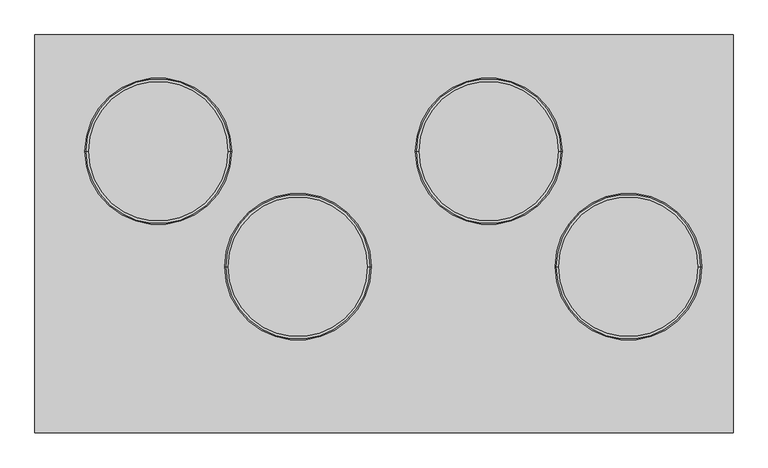
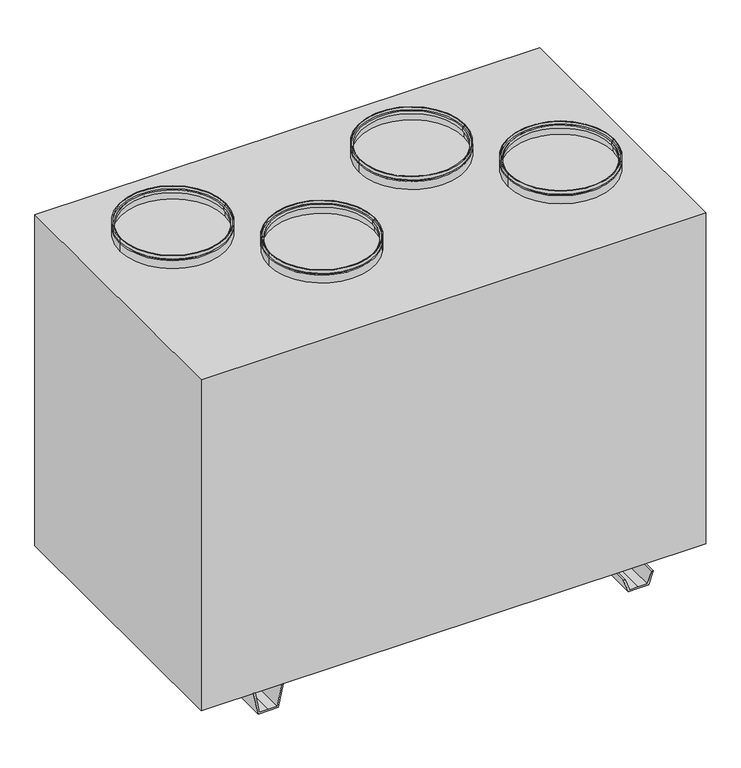
"""IFC4 building model written with IfcOpenShell, lengths in millimetres: proxy geometry."""

from ifc_helpers import new_model, si_unit, frame, origin, place, context, project, spatial, polyline, circle_curve, outline, extrude, source, transform, mapped, element, save
from ifc_brep_helpers import plane_surface, cylinder_surface, revolved_surface, advanced_brep


def mechanical_equipment_abb5c1dc(model_context):
    return source(origin(), model_context, "Body", "SolidModel", [
        advanced_brep(
        [(682.5, -70.5, 1140.0), (367.5, -70.5, 1140.0), (367.5, -70.5, 1150.0), (682.5, -70.5, 1150.0), (677.5, -70.5, 1140.0), (372.5, -70.5, 1140.0), (677.5, -70.5, 1135.0), (372.5, -70.5, 1135.0), (682.5, -70.5, 1135.0), (367.5, -70.5, 1135.0), (682.5, -70.5, 1110.0), (367.5, -70.5, 1110.0), (680.5, -70.5, 1110.0), (369.5, -70.5, 1110.0), (680.5, -70.5, 1133.0), (369.5, -70.5, 1133.0), (675.5, -70.5, 1133.0), (374.5, -70.5, 1133.0), (675.5, -70.5, 1142.0), (374.5, -70.5, 1142.0), (680.5, -70.5, 1142.0), (369.5, -70.5, 1142.0), (680.5, -70.5, 1150.0), (369.5, -70.5, 1150.0)],
        [
            (0, 1, circle_curve(frame((525.0, -70.5, 1140.0), z_axis=(0.0, 0.0, 1.0), x_axis=(-1.0, 0.0, 0.0)), 157.5)),
            (1, 2),
            (2, 3, circle_curve(frame((525.0, -70.5, 1150.0), z_axis=(0.0, 0.0, -1.0), x_axis=(-1.0, 0.0, 0.0)), 157.5)),
            (3, 0),
            (1, 0, circle_curve(frame((525.0, -70.5, 1140.0), z_axis=(0.0, 0.0, 1.0), x_axis=(-1.0, 0.0, 0.0)), 157.5)),
            (3, 2, circle_curve(frame((525.0, -70.5, 1150.0), z_axis=(0.0, 0.0, -1.0), x_axis=(-1.0, 0.0, 0.0)), 157.5)),
            (4, 5, circle_curve(frame((525.0, -70.5, 1140.0), z_axis=(0.0, 0.0, 1.0), x_axis=(-1.0, 0.0, 0.0)), 152.5)),
            (5, 1),
            (0, 4),
            (5, 4, circle_curve(frame((525.0, -70.5, 1140.0), z_axis=(0.0, 0.0, 1.0), x_axis=(-1.0, 0.0, 0.0)), 152.5)),
            (6, 7, circle_curve(frame((525.0, -70.5, 1135.0), z_axis=(0.0, 0.0, 1.0), x_axis=(-1.0, 0.0, 0.0)), 152.5)),
            (7, 5),
            (4, 6),
            (7, 6, circle_curve(frame((525.0, -70.5, 1135.0), z_axis=(0.0, 0.0, 1.0), x_axis=(-1.0, 0.0, 0.0)), 152.5)),
            (8, 9, circle_curve(frame((525.0, -70.5, 1135.0), z_axis=(0.0, 0.0, 1.0), x_axis=(-1.0, 0.0, 0.0)), 157.5)),
            (9, 7),
            (6, 8),
            (9, 8, circle_curve(frame((525.0, -70.5, 1135.0), z_axis=(0.0, 0.0, 1.0), x_axis=(-1.0, 0.0, 0.0)), 157.5)),
            (10, 11, circle_curve(frame((525.0, -70.5, 1110.0), z_axis=(0.0, 0.0, 1.0), x_axis=(-1.0, 0.0, 0.0)), 157.5)),
            (11, 9),
            (8, 10),
            (11, 10, circle_curve(frame((525.0, -70.5, 1110.0), z_axis=(0.0, 0.0, 1.0), x_axis=(-1.0, 0.0, 0.0)), 157.5)),
            (12, 13, circle_curve(frame((525.0, -70.5, 1110.0), z_axis=(0.0, 0.0, 1.0), x_axis=(-1.0, 0.0, 0.0)), 155.5)),
            (13, 11),
            (10, 12),
            (13, 12, circle_curve(frame((525.0, -70.5, 1110.0), z_axis=(0.0, 0.0, 1.0), x_axis=(-1.0, 0.0, 0.0)), 155.5)),
            (14, 15, circle_curve(frame((525.0, -70.5, 1133.0), z_axis=(0.0, 0.0, 1.0), x_axis=(-1.0, 0.0, 0.0)), 155.5)),
            (15, 13),
            (12, 14),
            (15, 14, circle_curve(frame((525.0, -70.5, 1133.0), z_axis=(0.0, 0.0, 1.0), x_axis=(-1.0, 0.0, 0.0)), 155.5)),
            (16, 17, circle_curve(frame((525.0, -70.5, 1133.0), z_axis=(0.0, 0.0, 1.0), x_axis=(-1.0, 0.0, 0.0)), 150.5)),
            (17, 15),
            (14, 16),
            (17, 16, circle_curve(frame((525.0, -70.5, 1133.0), z_axis=(0.0, 0.0, 1.0), x_axis=(-1.0, 0.0, 0.0)), 150.5)),
            (18, 19, circle_curve(frame((525.0, -70.5, 1142.0), z_axis=(0.0, 0.0, 1.0), x_axis=(-1.0, 0.0, 0.0)), 150.5)),
            (19, 17),
            (16, 18),
            (19, 18, circle_curve(frame((525.0, -70.5, 1142.0), z_axis=(0.0, 0.0, 1.0), x_axis=(-1.0, 0.0, 0.0)), 150.5)),
            (20, 21, circle_curve(frame((525.0, -70.5, 1142.0), z_axis=(0.0, 0.0, 1.0), x_axis=(-1.0, 0.0, 0.0)), 155.5)),
            (21, 19),
            (18, 20),
            (21, 20, circle_curve(frame((525.0, -70.5, 1142.0), z_axis=(0.0, 0.0, 1.0), x_axis=(-1.0, 0.0, 0.0)), 155.5)),
            (22, 23, circle_curve(frame((525.0, -70.5, 1150.0), z_axis=(0.0, 0.0, 1.0), x_axis=(-1.0, 0.0, 0.0)), 155.5)),
            (23, 21),
            (20, 22),
            (23, 22, circle_curve(frame((525.0, -70.5, 1150.0), z_axis=(0.0, 0.0, 1.0), x_axis=(-1.0, 0.0, 0.0)), 155.5)),
            (2, 23),
            (22, 3),
        ],
        [
            cylinder_surface(frame((525.0, -70.5, 2685.0440172), z_axis=(0.0, 0.0, -1.0), x_axis=(-1.0, 0.0, 0.0)), 157.5),
            plane_surface(frame((525.0, -70.5, 1140.0), z_axis=(0.0, 0.0, -1.0), x_axis=(-1.0, 0.0, 0.0))),
            cylinder_surface(frame((525.0, -70.5, 2685.0440172), z_axis=(0.0, 0.0, -1.0), x_axis=(-1.0, 0.0, 0.0)), 152.5),
            plane_surface(frame((525.0, -70.5, 1135.0), z_axis=(0.0, 0.0, 1.0), x_axis=(-1.0, 0.0, 0.0))),
            plane_surface(frame((525.0, -70.5, 1110.0), z_axis=(0.0, 0.0, -1.0), x_axis=(-1.0, 0.0, 0.0))),
            revolved_surface(polyline([(369.5, -70.5, 1110.0), (369.5, -70.5, 1133.0)]), (525.0, -70.5, 2685.0440172), (0.0, 0.0, -1.0)),
            plane_surface(frame((525.0, -70.5, 1133.0), z_axis=(0.0, 0.0, -1.0), x_axis=(-1.0, 0.0, 0.0))),
            revolved_surface(polyline([(374.5, -70.5, 1133.0), (374.5, -70.5, 1142.0)]), (525.0, -70.5, 2685.0440172), (0.0, 0.0, -1.0)),
            plane_surface(frame((525.0, -70.5, 1142.0), z_axis=(0.0, 0.0, 1.0), x_axis=(-1.0, 0.0, 0.0))),
            revolved_surface(polyline([(369.5, -70.5, 1142.0), (369.5, -70.5, 1150.0)]), (525.0, -70.5, 2685.0440172), (0.0, 0.0, -1.0)),
            plane_surface(frame((525.0, -70.5, 1150.0), z_axis=(0.0, 0.0, 1.0), x_axis=(-1.0, 0.0, 0.0))),
        ],
        [
            (0, [[1, 2, 3, 4]]),
            (0, [[5, -4, 6, -2]]),
            (1, [[7, 8, -1, 9]]),
            (1, [[10, -9, -5, -8]]),
            (2, [[11, 12, -7, 13]]),
            (2, [[14, -13, -10, -12]]),
            (3, [[15, 16, -11, 17]]),
            (3, [[18, -17, -14, -16]]),
            (0, [[19, 20, -15, 21]]),
            (0, [[22, -21, -18, -20]]),
            (4, [[23, 24, -19, 25]]),
            (4, [[26, -25, -22, -24]]),
            (5, [[27, 28, -23, 29]]),
            (5, [[30, -29, -26, -28]]),
            (6, [[31, 32, -27, 33]]),
            (6, [[34, -33, -30, -32]]),
            (7, [[35, 36, -31, 37]]),
            (7, [[38, -37, -34, -36]]),
            (8, [[39, 40, -35, 41]]),
            (8, [[42, -41, -38, -40]]),
            (9, [[43, 44, -39, 45]]),
            (9, [[46, -45, -42, -44]]),
            (10, [[-3, 47, -43, 48]]),
            (10, [[-6, -48, -46, -47]]),
        ],
    ),
        advanced_brep(
        [(382.5, 177.5, 1140.0), (67.5, 177.5, 1140.0), (67.5, 177.5, 1150.0), (382.5, 177.5, 1150.0), (377.5, 177.5, 1140.0), (72.5, 177.5, 1140.0), (377.5, 177.5, 1135.0), (72.5, 177.5, 1135.0), (382.5, 177.5, 1135.0), (67.5, 177.5, 1135.0), (382.5, 177.5, 1110.0), (67.5, 177.5, 1110.0), (380.5, 177.5, 1110.0), (69.5, 177.5, 1110.0), (380.5, 177.5, 1133.0), (69.5, 177.5, 1133.0), (375.5, 177.5, 1133.0), (74.5, 177.5, 1133.0), (375.5, 177.5, 1142.0), (74.5, 177.5, 1142.0), (380.5, 177.5, 1142.0), (69.5, 177.5, 1142.0), (380.5, 177.5, 1150.0), (69.5, 177.5, 1150.0)],
        [
            (0, 1, circle_curve(frame((225.0, 177.5, 1140.0), z_axis=(0.0, 0.0, 1.0), x_axis=(-1.0, 0.0, 0.0)), 157.5)),
            (1, 2),
            (2, 3, circle_curve(frame((225.0, 177.5, 1150.0), z_axis=(0.0, 0.0, -1.0), x_axis=(-1.0, 0.0, 0.0)), 157.5)),
            (3, 0),
            (1, 0, circle_curve(frame((225.0, 177.5, 1140.0), z_axis=(0.0, 0.0, 1.0), x_axis=(-1.0, 0.0, 0.0)), 157.5)),
            (3, 2, circle_curve(frame((225.0, 177.5, 1150.0), z_axis=(0.0, 0.0, -1.0), x_axis=(-1.0, 0.0, 0.0)), 157.5)),
            (4, 5, circle_curve(frame((225.0, 177.5, 1140.0), z_axis=(0.0, 0.0, 1.0), x_axis=(-1.0, 0.0, 0.0)), 152.5)),
            (5, 1),
            (0, 4),
            (5, 4, circle_curve(frame((225.0, 177.5, 1140.0), z_axis=(0.0, 0.0, 1.0), x_axis=(-1.0, 0.0, 0.0)), 152.5)),
            (6, 7, circle_curve(frame((225.0, 177.5, 1135.0), z_axis=(0.0, 0.0, 1.0), x_axis=(-1.0, 0.0, 0.0)), 152.5)),
            (7, 5),
            (4, 6),
            (7, 6, circle_curve(frame((225.0, 177.5, 1135.0), z_axis=(0.0, 0.0, 1.0), x_axis=(-1.0, 0.0, 0.0)), 152.5)),
            (8, 9, circle_curve(frame((225.0, 177.5, 1135.0), z_axis=(0.0, 0.0, 1.0), x_axis=(-1.0, 0.0, 0.0)), 157.5)),
            (9, 7),
            (6, 8),
            (9, 8, circle_curve(frame((225.0, 177.5, 1135.0), z_axis=(0.0, 0.0, 1.0), x_axis=(-1.0, 0.0, 0.0)), 157.5)),
            (10, 11, circle_curve(frame((225.0, 177.5, 1110.0), z_axis=(0.0, 0.0, 1.0), x_axis=(-1.0, 0.0, 0.0)), 157.5)),
            (11, 9),
            (8, 10),
            (11, 10, circle_curve(frame((225.0, 177.5, 1110.0), z_axis=(0.0, 0.0, 1.0), x_axis=(-1.0, 0.0, 0.0)), 157.5)),
            (12, 13, circle_curve(frame((225.0, 177.5, 1110.0), z_axis=(0.0, 0.0, 1.0), x_axis=(-1.0, 0.0, 0.0)), 155.5)),
            (13, 11),
            (10, 12),
            (13, 12, circle_curve(frame((225.0, 177.5, 1110.0), z_axis=(0.0, 0.0, 1.0), x_axis=(-1.0, 0.0, 0.0)), 155.5)),
            (14, 15, circle_curve(frame((225.0, 177.5, 1133.0), z_axis=(0.0, 0.0, 1.0), x_axis=(-1.0, 0.0, 0.0)), 155.5)),
            (15, 13),
            (12, 14),
            (15, 14, circle_curve(frame((225.0, 177.5, 1133.0), z_axis=(0.0, 0.0, 1.0), x_axis=(-1.0, 0.0, 0.0)), 155.5)),
            (16, 17, circle_curve(frame((225.0, 177.5, 1133.0), z_axis=(0.0, 0.0, 1.0), x_axis=(-1.0, 0.0, 0.0)), 150.5)),
            (17, 15),
            (14, 16),
            (17, 16, circle_curve(frame((225.0, 177.5, 1133.0), z_axis=(0.0, 0.0, 1.0), x_axis=(-1.0, 0.0, 0.0)), 150.5)),
            (18, 19, circle_curve(frame((225.0, 177.5, 1142.0), z_axis=(0.0, 0.0, 1.0), x_axis=(-1.0, 0.0, 0.0)), 150.5)),
            (19, 17),
            (16, 18),
            (19, 18, circle_curve(frame((225.0, 177.5, 1142.0), z_axis=(0.0, 0.0, 1.0), x_axis=(-1.0, 0.0, 0.0)), 150.5)),
            (20, 21, circle_curve(frame((225.0, 177.5, 1142.0), z_axis=(0.0, 0.0, 1.0), x_axis=(-1.0, 0.0, 0.0)), 155.5)),
            (21, 19),
            (18, 20),
            (21, 20, circle_curve(frame((225.0, 177.5, 1142.0), z_axis=(0.0, 0.0, 1.0), x_axis=(-1.0, 0.0, 0.0)), 155.5)),
            (22, 23, circle_curve(frame((225.0, 177.5, 1150.0), z_axis=(0.0, 0.0, 1.0), x_axis=(-1.0, 0.0, 0.0)), 155.5)),
            (23, 21),
            (20, 22),
            (23, 22, circle_curve(frame((225.0, 177.5, 1150.0), z_axis=(0.0, 0.0, 1.0), x_axis=(-1.0, 0.0, 0.0)), 155.5)),
            (2, 23),
            (22, 3),
        ],
        [
            cylinder_surface(frame((225.0, 177.5, 2685.0440172), z_axis=(0.0, 0.0, -1.0), x_axis=(-1.0, 0.0, 0.0)), 157.5),
            plane_surface(frame((225.0, 177.5, 1140.0), z_axis=(0.0, 0.0, -1.0), x_axis=(-1.0, 0.0, 0.0))),
            cylinder_surface(frame((225.0, 177.5, 2685.0440172), z_axis=(0.0, 0.0, -1.0), x_axis=(-1.0, 0.0, 0.0)), 152.5),
            plane_surface(frame((225.0, 177.5, 1135.0), z_axis=(0.0, 0.0, 1.0), x_axis=(-1.0, 0.0, 0.0))),
            plane_surface(frame((225.0, 177.5, 1110.0), z_axis=(0.0, 0.0, -1.0), x_axis=(-1.0, 0.0, 0.0))),
            revolved_surface(polyline([(69.5, 177.5, 1110.0), (69.5, 177.5, 1133.0)]), (225.0, 177.5, 2685.0440172), (0.0, 0.0, -1.0)),
            plane_surface(frame((225.0, 177.5, 1133.0), z_axis=(0.0, 0.0, -1.0), x_axis=(-1.0, 0.0, 0.0))),
            revolved_surface(polyline([(74.5, 177.5, 1133.0), (74.5, 177.5, 1142.0)]), (225.0, 177.5, 2685.0440172), (0.0, 0.0, -1.0)),
            plane_surface(frame((225.0, 177.5, 1142.0), z_axis=(0.0, 0.0, 1.0), x_axis=(-1.0, 0.0, 0.0))),
            revolved_surface(polyline([(69.5, 177.5, 1142.0), (69.5, 177.5, 1150.0)]), (225.0, 177.5, 2685.0440172), (0.0, 0.0, -1.0)),
            plane_surface(frame((225.0, 177.5, 1150.0), z_axis=(0.0, 0.0, 1.0), x_axis=(-1.0, 0.0, 0.0))),
        ],
        [
            (0, [[1, 2, 3, 4]]),
            (0, [[5, -4, 6, -2]]),
            (1, [[7, 8, -1, 9]]),
            (1, [[10, -9, -5, -8]]),
            (2, [[11, 12, -7, 13]]),
            (2, [[14, -13, -10, -12]]),
            (3, [[15, 16, -11, 17]]),
            (3, [[18, -17, -14, -16]]),
            (0, [[19, 20, -15, 21]]),
            (0, [[22, -21, -18, -20]]),
            (4, [[23, 24, -19, 25]]),
            (4, [[26, -25, -22, -24]]),
            (5, [[27, 28, -23, 29]]),
            (5, [[30, -29, -26, -28]]),
            (6, [[31, 32, -27, 33]]),
            (6, [[34, -33, -30, -32]]),
            (7, [[35, 36, -31, 37]]),
            (7, [[38, -37, -34, -36]]),
            (8, [[39, 40, -35, 41]]),
            (8, [[42, -41, -38, -40]]),
            (9, [[43, 44, -39, 45]]),
            (9, [[46, -45, -42, -44]]),
            (10, [[-3, 47, -43, 48]]),
            (10, [[-6, -48, -46, -47]]),
        ],
    ),
        advanced_brep(
        [(-27.5, -70.5, 1140.0), (-342.5, -70.5, 1140.0), (-342.5, -70.5, 1150.0), (-27.5, -70.5, 1150.0), (-32.5, -70.5, 1140.0), (-337.5, -70.5, 1140.0), (-32.5, -70.5, 1135.0), (-337.5, -70.5, 1135.0), (-27.5, -70.5, 1135.0), (-342.5, -70.5, 1135.0), (-27.5, -70.5, 1110.0), (-342.5, -70.5, 1110.0), (-29.5, -70.5, 1110.0), (-340.5, -70.5, 1110.0), (-29.5, -70.5, 1133.0), (-340.5, -70.5, 1133.0), (-34.5, -70.5, 1133.0), (-335.5, -70.5, 1133.0), (-34.5, -70.5, 1142.0), (-335.5, -70.5, 1142.0), (-29.5, -70.5, 1142.0), (-340.5, -70.5, 1142.0), (-29.5, -70.5, 1150.0), (-340.5, -70.5, 1150.0)],
        [
            (0, 1, circle_curve(frame((-185.0, -70.5, 1140.0), z_axis=(0.0, 0.0, 1.0), x_axis=(-1.0, 0.0, 0.0)), 157.5)),
            (1, 2),
            (2, 3, circle_curve(frame((-185.0, -70.5, 1150.0), z_axis=(0.0, 0.0, -1.0), x_axis=(-1.0, 0.0, 0.0)), 157.5)),
            (3, 0),
            (1, 0, circle_curve(frame((-185.0, -70.5, 1140.0), z_axis=(0.0, 0.0, 1.0), x_axis=(-1.0, 0.0, 0.0)), 157.5)),
            (3, 2, circle_curve(frame((-185.0, -70.5, 1150.0), z_axis=(0.0, 0.0, -1.0), x_axis=(-1.0, 0.0, 0.0)), 157.5)),
            (4, 5, circle_curve(frame((-185.0, -70.5, 1140.0), z_axis=(0.0, 0.0, 1.0), x_axis=(-1.0, 0.0, 0.0)), 152.5)),
            (5, 1),
            (0, 4),
            (5, 4, circle_curve(frame((-185.0, -70.5, 1140.0), z_axis=(0.0, 0.0, 1.0), x_axis=(-1.0, 0.0, 0.0)), 152.5)),
            (6, 7, circle_curve(frame((-185.0, -70.5, 1135.0), z_axis=(0.0, 0.0, 1.0), x_axis=(-1.0, 0.0, 0.0)), 152.5)),
            (7, 5),
            (4, 6),
            (7, 6, circle_curve(frame((-185.0, -70.5, 1135.0), z_axis=(0.0, 0.0, 1.0), x_axis=(-1.0, 0.0, 0.0)), 152.5)),
            (8, 9, circle_curve(frame((-185.0, -70.5, 1135.0), z_axis=(0.0, 0.0, 1.0), x_axis=(-1.0, 0.0, 0.0)), 157.5)),
            (9, 7),
            (6, 8),
            (9, 8, circle_curve(frame((-185.0, -70.5, 1135.0), z_axis=(0.0, 0.0, 1.0), x_axis=(-1.0, 0.0, 0.0)), 157.5)),
            (10, 11, circle_curve(frame((-185.0, -70.5, 1110.0), z_axis=(0.0, 0.0, 1.0), x_axis=(-1.0, 0.0, 0.0)), 157.5)),
            (11, 9),
            (8, 10),
            (11, 10, circle_curve(frame((-185.0, -70.5, 1110.0), z_axis=(0.0, 0.0, 1.0), x_axis=(-1.0, 0.0, 0.0)), 157.5)),
            (12, 13, circle_curve(frame((-185.0, -70.5, 1110.0), z_axis=(0.0, 0.0, 1.0), x_axis=(-1.0, 0.0, 0.0)), 155.5)),
            (13, 11),
            (10, 12),
            (13, 12, circle_curve(frame((-185.0, -70.5, 1110.0), z_axis=(0.0, 0.0, 1.0), x_axis=(-1.0, 0.0, 0.0)), 155.5)),
            (14, 15, circle_curve(frame((-185.0, -70.5, 1133.0), z_axis=(0.0, 0.0, 1.0), x_axis=(-1.0, 0.0, 0.0)), 155.5)),
            (15, 13),
            (12, 14),
            (15, 14, circle_curve(frame((-185.0, -70.5, 1133.0), z_axis=(0.0, 0.0, 1.0), x_axis=(-1.0, 0.0, 0.0)), 155.5)),
            (16, 17, circle_curve(frame((-185.0, -70.5, 1133.0), z_axis=(0.0, 0.0, 1.0), x_axis=(-1.0, 0.0, 0.0)), 150.5)),
            (17, 15),
            (14, 16),
            (17, 16, circle_curve(frame((-185.0, -70.5, 1133.0), z_axis=(0.0, 0.0, 1.0), x_axis=(-1.0, 0.0, 0.0)), 150.5)),
            (18, 19, circle_curve(frame((-185.0, -70.5, 1142.0), z_axis=(0.0, 0.0, 1.0), x_axis=(-1.0, 0.0, 0.0)), 150.5)),
            (19, 17),
            (16, 18),
            (19, 18, circle_curve(frame((-185.0, -70.5, 1142.0), z_axis=(0.0, 0.0, 1.0), x_axis=(-1.0, 0.0, 0.0)), 150.5)),
            (20, 21, circle_curve(frame((-185.0, -70.5, 1142.0), z_axis=(0.0, 0.0, 1.0), x_axis=(-1.0, 0.0, 0.0)), 155.5)),
            (21, 19),
            (18, 20),
            (21, 20, circle_curve(frame((-185.0, -70.5, 1142.0), z_axis=(0.0, 0.0, 1.0), x_axis=(-1.0, 0.0, 0.0)), 155.5)),
            (22, 23, circle_curve(frame((-185.0, -70.5, 1150.0), z_axis=(0.0, 0.0, 1.0), x_axis=(-1.0, 0.0, 0.0)), 155.5)),
            (23, 21),
            (20, 22),
            (23, 22, circle_curve(frame((-185.0, -70.5, 1150.0), z_axis=(0.0, 0.0, 1.0), x_axis=(-1.0, 0.0, 0.0)), 155.5)),
            (2, 23),
            (22, 3),
        ],
        [
            cylinder_surface(frame((-185.0, -70.5, 2685.0440172), z_axis=(0.0, 0.0, -1.0), x_axis=(-1.0, 0.0, 0.0)), 157.5),
            plane_surface(frame((-185.0, -70.5, 1140.0), z_axis=(0.0, 0.0, -1.0), x_axis=(-1.0, 0.0, 0.0))),
            cylinder_surface(frame((-185.0, -70.5, 2685.0440172), z_axis=(0.0, 0.0, -1.0), x_axis=(-1.0, 0.0, 0.0)), 152.5),
            plane_surface(frame((-185.0, -70.5, 1135.0), z_axis=(0.0, 0.0, 1.0), x_axis=(-1.0, 0.0, 0.0))),
            plane_surface(frame((-185.0, -70.5, 1110.0), z_axis=(0.0, 0.0, -1.0), x_axis=(-1.0, 0.0, 0.0))),
            revolved_surface(polyline([(-340.5, -70.5, 1110.0), (-340.5, -70.5, 1133.0)]), (-185.0, -70.5, 2685.0440172), (0.0, 0.0, -1.0)),
            plane_surface(frame((-185.0, -70.5, 1133.0), z_axis=(0.0, 0.0, -1.0), x_axis=(-1.0, 0.0, 0.0))),
            revolved_surface(polyline([(-335.5, -70.5, 1133.0), (-335.5, -70.5, 1142.0)]), (-185.0, -70.5, 2685.0440172), (0.0, 0.0, -1.0)),
            plane_surface(frame((-185.0, -70.5, 1142.0), z_axis=(0.0, 0.0, 1.0), x_axis=(-1.0, 0.0, 0.0))),
            revolved_surface(polyline([(-340.5, -70.5, 1142.0), (-340.5, -70.5, 1150.0)]), (-185.0, -70.5, 2685.0440172), (0.0, 0.0, -1.0)),
            plane_surface(frame((-185.0, -70.5, 1150.0), z_axis=(0.0, 0.0, 1.0), x_axis=(-1.0, 0.0, 0.0))),
        ],
        [
            (0, [[1, 2, 3, 4]]),
            (0, [[5, -4, 6, -2]]),
            (1, [[7, 8, -1, 9]]),
            (1, [[10, -9, -5, -8]]),
            (2, [[11, 12, -7, 13]]),
            (2, [[14, -13, -10, -12]]),
            (3, [[15, 16, -11, 17]]),
            (3, [[18, -17, -14, -16]]),
            (0, [[19, 20, -15, 21]]),
            (0, [[22, -21, -18, -20]]),
            (4, [[23, 24, -19, 25]]),
            (4, [[26, -25, -22, -24]]),
            (5, [[27, 28, -23, 29]]),
            (5, [[30, -29, -26, -28]]),
            (6, [[31, 32, -27, 33]]),
            (6, [[34, -33, -30, -32]]),
            (7, [[35, 36, -31, 37]]),
            (7, [[38, -37, -34, -36]]),
            (8, [[39, 40, -35, 41]]),
            (8, [[42, -41, -38, -40]]),
            (9, [[43, 44, -39, 45]]),
            (9, [[46, -45, -42, -44]]),
            (10, [[-3, 47, -43, 48]]),
            (10, [[-6, -48, -46, -47]]),
        ],
    ),
        advanced_brep(
        [(-327.5, 177.5, 1140.0), (-642.5, 177.5, 1140.0), (-642.5, 177.5, 1150.0), (-327.5, 177.5, 1150.0), (-332.5, 177.5, 1140.0), (-637.5, 177.5, 1140.0), (-332.5, 177.5, 1135.0), (-637.5, 177.5, 1135.0), (-327.5, 177.5, 1135.0), (-642.5, 177.5, 1135.0), (-327.5, 177.5, 1110.0), (-642.5, 177.5, 1110.0), (-329.5, 177.5, 1110.0), (-640.5, 177.5, 1110.0), (-329.5, 177.5, 1133.0), (-640.5, 177.5, 1133.0), (-334.5, 177.5, 1133.0), (-635.5, 177.5, 1133.0), (-334.5, 177.5, 1142.0), (-635.5, 177.5, 1142.0), (-329.5, 177.5, 1142.0), (-640.5, 177.5, 1142.0), (-329.5, 177.5, 1150.0), (-640.5, 177.5, 1150.0)],
        [
            (0, 1, circle_curve(frame((-485.0, 177.5, 1140.0), z_axis=(0.0, 0.0, 1.0), x_axis=(-1.0, 0.0, 0.0)), 157.5)),
            (1, 2),
            (2, 3, circle_curve(frame((-485.0, 177.5, 1150.0), z_axis=(0.0, 0.0, -1.0), x_axis=(-1.0, 0.0, 0.0)), 157.5)),
            (3, 0),
            (1, 0, circle_curve(frame((-485.0, 177.5, 1140.0), z_axis=(0.0, 0.0, 1.0), x_axis=(-1.0, 0.0, 0.0)), 157.5)),
            (3, 2, circle_curve(frame((-485.0, 177.5, 1150.0), z_axis=(0.0, 0.0, -1.0), x_axis=(-1.0, 0.0, 0.0)), 157.5)),
            (4, 5, circle_curve(frame((-485.0, 177.5, 1140.0), z_axis=(0.0, 0.0, 1.0), x_axis=(-1.0, 0.0, 0.0)), 152.5)),
            (5, 1),
            (0, 4),
            (5, 4, circle_curve(frame((-485.0, 177.5, 1140.0), z_axis=(0.0, 0.0, 1.0), x_axis=(-1.0, 0.0, 0.0)), 152.5)),
            (6, 7, circle_curve(frame((-485.0, 177.5, 1135.0), z_axis=(0.0, 0.0, 1.0), x_axis=(-1.0, 0.0, 0.0)), 152.5)),
            (7, 5),
            (4, 6),
            (7, 6, circle_curve(frame((-485.0, 177.5, 1135.0), z_axis=(0.0, 0.0, 1.0), x_axis=(-1.0, 0.0, 0.0)), 152.5)),
            (8, 9, circle_curve(frame((-485.0, 177.5, 1135.0), z_axis=(0.0, 0.0, 1.0), x_axis=(-1.0, 0.0, 0.0)), 157.5)),
            (9, 7),
            (6, 8),
            (9, 8, circle_curve(frame((-485.0, 177.5, 1135.0), z_axis=(0.0, 0.0, 1.0), x_axis=(-1.0, 0.0, 0.0)), 157.5)),
            (10, 11, circle_curve(frame((-485.0, 177.5, 1110.0), z_axis=(0.0, 0.0, 1.0), x_axis=(-1.0, 0.0, 0.0)), 157.5)),
            (11, 9),
            (8, 10),
            (11, 10, circle_curve(frame((-485.0, 177.5, 1110.0), z_axis=(0.0, 0.0, 1.0), x_axis=(-1.0, 0.0, 0.0)), 157.5)),
            (12, 13, circle_curve(frame((-485.0, 177.5, 1110.0), z_axis=(0.0, 0.0, 1.0), x_axis=(-1.0, 0.0, 0.0)), 155.5)),
            (13, 11),
            (10, 12),
            (13, 12, circle_curve(frame((-485.0, 177.5, 1110.0), z_axis=(0.0, 0.0, 1.0), x_axis=(-1.0, 0.0, 0.0)), 155.5)),
            (14, 15, circle_curve(frame((-485.0, 177.5, 1133.0), z_axis=(0.0, 0.0, 1.0), x_axis=(-1.0, 0.0, 0.0)), 155.5)),
            (15, 13),
            (12, 14),
            (15, 14, circle_curve(frame((-485.0, 177.5, 1133.0), z_axis=(0.0, 0.0, 1.0), x_axis=(-1.0, 0.0, 0.0)), 155.5)),
            (16, 17, circle_curve(frame((-485.0, 177.5, 1133.0), z_axis=(0.0, 0.0, 1.0), x_axis=(-1.0, 0.0, 0.0)), 150.5)),
            (17, 15),
            (14, 16),
            (17, 16, circle_curve(frame((-485.0, 177.5, 1133.0), z_axis=(0.0, 0.0, 1.0), x_axis=(-1.0, 0.0, 0.0)), 150.5)),
            (18, 19, circle_curve(frame((-485.0, 177.5, 1142.0), z_axis=(0.0, 0.0, 1.0), x_axis=(-1.0, 0.0, 0.0)), 150.5)),
            (19, 17),
            (16, 18),
            (19, 18, circle_curve(frame((-485.0, 177.5, 1142.0), z_axis=(0.0, 0.0, 1.0), x_axis=(-1.0, 0.0, 0.0)), 150.5)),
            (20, 21, circle_curve(frame((-485.0, 177.5, 1142.0), z_axis=(0.0, 0.0, 1.0), x_axis=(-1.0, 0.0, 0.0)), 155.5)),
            (21, 19),
            (18, 20),
            (21, 20, circle_curve(frame((-485.0, 177.5, 1142.0), z_axis=(0.0, 0.0, 1.0), x_axis=(-1.0, 0.0, 0.0)), 155.5)),
            (22, 23, circle_curve(frame((-485.0, 177.5, 1150.0), z_axis=(0.0, 0.0, 1.0), x_axis=(-1.0, 0.0, 0.0)), 155.5)),
            (23, 21),
            (20, 22),
            (23, 22, circle_curve(frame((-485.0, 177.5, 1150.0), z_axis=(0.0, 0.0, 1.0), x_axis=(-1.0, 0.0, 0.0)), 155.5)),
            (2, 23),
            (22, 3),
        ],
        [
            cylinder_surface(frame((-485.0, 177.5, 2685.0440172), z_axis=(0.0, 0.0, -1.0), x_axis=(-1.0, 0.0, 0.0)), 157.5),
            plane_surface(frame((-485.0, 177.5, 1140.0), z_axis=(0.0, 0.0, -1.0), x_axis=(-1.0, 0.0, 0.0))),
            cylinder_surface(frame((-485.0, 177.5, 2685.0440172), z_axis=(0.0, 0.0, -1.0), x_axis=(-1.0, 0.0, 0.0)), 152.5),
            plane_surface(frame((-485.0, 177.5, 1135.0), z_axis=(0.0, 0.0, 1.0), x_axis=(-1.0, 0.0, 0.0))),
            plane_surface(frame((-485.0, 177.5, 1110.0), z_axis=(0.0, 0.0, -1.0), x_axis=(-1.0, 0.0, 0.0))),
            revolved_surface(polyline([(-640.5, 177.5, 1110.0), (-640.5, 177.5, 1133.0)]), (-485.0, 177.5, 2685.0440172), (0.0, 0.0, -1.0)),
            plane_surface(frame((-485.0, 177.5, 1133.0), z_axis=(0.0, 0.0, -1.0), x_axis=(-1.0, 0.0, 0.0))),
            revolved_surface(polyline([(-635.5, 177.5, 1133.0), (-635.5, 177.5, 1142.0)]), (-485.0, 177.5, 2685.0440172), (0.0, 0.0, -1.0)),
            plane_surface(frame((-485.0, 177.5, 1142.0), z_axis=(0.0, 0.0, 1.0), x_axis=(-1.0, 0.0, 0.0))),
            revolved_surface(polyline([(-640.5, 177.5, 1142.0), (-640.5, 177.5, 1150.0)]), (-485.0, 177.5, 2685.0440172), (0.0, 0.0, -1.0)),
            plane_surface(frame((-485.0, 177.5, 1150.0), z_axis=(0.0, 0.0, 1.0), x_axis=(-1.0, 0.0, 0.0))),
        ],
        [
            (0, [[1, 2, 3, 4]]),
            (0, [[5, -4, 6, -2]]),
            (1, [[7, 8, -1, 9]]),
            (1, [[10, -9, -5, -8]]),
            (2, [[11, 12, -7, 13]]),
            (2, [[14, -13, -10, -12]]),
            (3, [[15, 16, -11, 17]]),
            (3, [[18, -17, -14, -16]]),
            (0, [[19, 20, -15, 21]]),
            (0, [[22, -21, -18, -20]]),
            (4, [[23, 24, -19, 25]]),
            (4, [[26, -25, -22, -24]]),
            (5, [[27, 28, -23, 29]]),
            (5, [[30, -29, -26, -28]]),
            (6, [[31, 32, -27, 33]]),
            (6, [[34, -33, -30, -32]]),
            (7, [[35, 36, -31, 37]]),
            (7, [[38, -37, -34, -36]]),
            (8, [[39, 40, -35, 41]]),
            (8, [[42, -41, -38, -40]]),
            (9, [[43, 44, -39, 45]]),
            (9, [[46, -45, -42, -44]]),
            (10, [[-3, 47, -43, 48]]),
            (10, [[-6, -48, -46, -47]]),
        ],
    ),
        extrude(outline(polyline([(0.0, 580.0), (40.0, 594.5588094), (40.0, 589.2379205), (5.0, 576.4989623), (5.0, 550.0), (5.0, 523.5010377), (40.0, 510.7620795), (40.0, 505.4411906), (0.0, 520.0), (0.0, 550.0), (0.0, 580.0)])), frame((0.0, -427.5, 0.0), z_axis=(0.0, 1.0, 0.0), x_axis=(0.0, 0.0, 1.0)), (0.0, 0.0, 1.0), 855.0),
        extrude(outline(polyline([(0.0, -520.0), (70.0, -505.4411906), (70.0, -510.7620795), (5.0, -523.5010377), (5.0, -550.0), (5.0, -576.4989623), (70.0, -589.2379205), (70.0, -594.5588094), (0.0, -580.0), (0.0, -550.0), (0.0, -520.0)])), frame((0.0, -427.5, 0.0), z_axis=(0.0, 1.0, 0.0), x_axis=(0.0, 0.0, 1.0)), (0.0, 0.0, 1.0), 855.0),
        extrude(outline(polyline([(-750.0, 427.5), (750.0, 427.5), (750.0, -427.5), (-750.0, -427.5), (-750.0, 427.5)])), frame((0.0, 0.0, 70.0), z_axis=(0.0, 0.0, 1.0), x_axis=(1.0, 0.0, 0.0)), (0.0, 0.0, 1.0), 1040.0),
    ])


if __name__ == "__main__":
    model = new_model("IFC4")
    model_context = context("Model", 3, world=origin())
    ifc_project = project(units=[si_unit("LENGTHUNIT", "METRE", prefix="MILLI")], contexts=[model_context])
    site = spatial("IfcSite", under=ifc_project)
    building = spatial("IfcBuilding", under=site)
    placement = place(None, origin())
    mechanical_equipment_shape = mechanical_equipment_abb5c1dc(model_context)
    element("IfcBuildingElementProxy", 1, Name="Mechanical Equipment", at=placement, inside=building, context=model_context, shape_type="MappedRepresentation", body=[
        mapped(mechanical_equipment_shape, transform((0.0, 0.0, 0.0), x_axis=(1.0, 0.0, 0.0), y_axis=(0.0, 1.0, 0.0), z_axis=(0.0, 0.0, 1.0))),
    ])
    save(model, "model.ifc")
